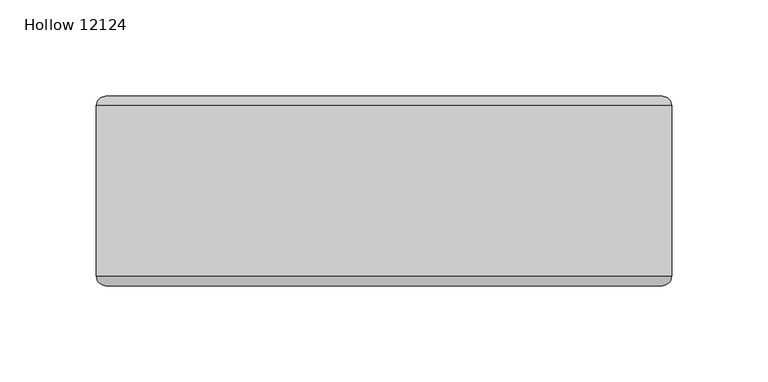
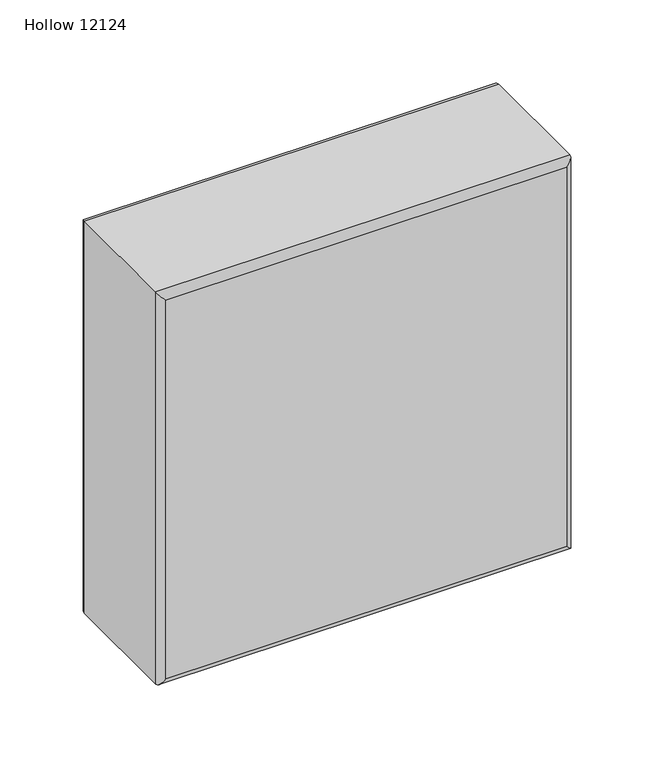
"""IFC4 building model written with IfcOpenShell, lengths in millimetres: plate geometry, Hollow 12124."""

from ifc_helpers import new_model, si_unit, frame, origin, place, context, project, spatial, ellipse_curve, source, transform, mapped, element, save
from ifc_brep_helpers import plane_surface, cylinder_surface, advanced_brep


def hollow_12124_37d00919(model_context):
    return source(origin(), model_context, "Body", "AdvancedBrep", [
        advanced_brep(
        [(-149.2582959, -44.2, 298.5), (149.2417041, -44.2, 298.5), (149.2417041, 44.2, 298.5), (-149.2582959, 44.2, 298.5), (149.2417041, -44.2, 0.0), (-149.2582959, -44.2, 0.0), (-149.2582959, 44.2, 0.0), (149.2417041, 44.2, 0.0), (-144.2582959, -49.2, 5.0), (144.2417041, -49.2, 5.0), (144.2417041, -49.2, 293.5), (-144.2582959, -49.2, 293.5), (144.2417041, 49.2, 5.0), (-144.2582959, 49.2, 5.0), (-144.2582959, 49.2, 293.5), (144.2417041, 49.2, 293.5)],
        [
            (0, 1),
            (1, 2),
            (2, 3),
            (3, 0),
            (4, 5),
            (5, 6),
            (6, 7),
            (7, 4),
            (8, 9),
            (9, 10),
            (10, 11),
            (11, 8),
            (1, 4),
            (7, 2),
            (12, 13),
            (13, 14),
            (14, 15),
            (15, 12),
            (5, 0),
            (3, 6),
            (4, 9, ellipse_curve(frame((144.2417041, -44.2, 5.0), z_axis=(-0.7071067811865475, 0.0, -0.7071067811865475), x_axis=(0.7071067811865476, 0.0, -0.7071067811865474)), 7.0710678, 5.0)),
            (8, 5, ellipse_curve(frame((-144.2582959, -44.2, 5.0), z_axis=(0.7071067811865475, 0.0, -0.7071067811865475), x_axis=(0.7071067811865476, 0.0, 0.7071067811865474)), 7.0710678, 5.0)),
            (1, 10, ellipse_curve(frame((144.2417041, -44.2, 293.5), z_axis=(0.7071067811865475, 0.0, -0.7071067811865475), x_axis=(0.7071067811865474, 0.0, 0.7071067811865476)), 7.0710678, 5.0)),
            (0, 11, ellipse_curve(frame((-144.2582959, -44.2, 293.5), z_axis=(0.7071067811865475, 0.0, 0.7071067811865475), x_axis=(-0.7071067811865476, 0.0, 0.7071067811865474)), 7.0710678, 5.0)),
            (12, 7, ellipse_curve(frame((144.2417041, 44.2, 5.0), z_axis=(-0.7071067811865475, 0.0, -0.7071067811865475), x_axis=(0.7071067811865476, 0.0, -0.7071067811865474)), 7.0710678, 5.0)),
            (6, 13, ellipse_curve(frame((-144.2582959, 44.2, 5.0), z_axis=(0.7071067811865475, 0.0, -0.7071067811865475), x_axis=(0.7071067811865476, 0.0, 0.7071067811865474)), 7.0710678, 5.0)),
            (15, 2, ellipse_curve(frame((144.2417041, 44.2, 293.5), z_axis=(0.7071067811865475, 0.0, -0.7071067811865475), x_axis=(0.7071067811865474, 0.0, 0.7071067811865476)), 7.0710678, 5.0)),
            (14, 3, ellipse_curve(frame((-144.2582959, 44.2, 293.5), z_axis=(0.7071067811865475, 0.0, 0.7071067811865475), x_axis=(-0.7071067811865476, 0.0, 0.7071067811865474)), 7.0710678, 5.0)),
        ],
        [
            plane_surface(frame((-149.2582959, -49.2, 298.5), z_axis=(0.0, 0.0, 1.0), x_axis=(1.0, 0.0, 0.0))),
            plane_surface(frame((-149.2582959, -49.2, 0.0), z_axis=(0.0, 0.0, -1.0), x_axis=(-1.0, 0.0, 0.0))),
            plane_surface(frame((-149.2582959, -49.2, 298.5), z_axis=(0.0, -1.0, 0.0), x_axis=(0.0, 0.0, -1.0))),
            plane_surface(frame((149.2417041, -49.2, 298.5), z_axis=(1.0, 0.0, 0.0), x_axis=(0.0, 0.0, -1.0))),
            plane_surface(frame((149.2417041, 49.2, 298.5), z_axis=(0.0, 1.0, 0.0), x_axis=(0.0, 0.0, -1.0))),
            plane_surface(frame((-149.2582959, 49.2, 298.5), z_axis=(-1.0, 0.0, 0.0), x_axis=(0.0, 0.0, -1.0))),
            cylinder_surface(frame((-149.2582959, -44.2, 5.0), z_axis=(1.0, 0.0, 0.0), x_axis=(0.0, 0.0, -1.0)), 5.0),
            cylinder_surface(frame((144.2417041, -44.2, 0.0), z_axis=(0.0, 0.0, 1.0), x_axis=(1.0, 0.0, 0.0)), 5.0),
            cylinder_surface(frame((149.2417041, -44.2, 293.5), z_axis=(-1.0, 0.0, 0.0), x_axis=(0.0, 0.0, 1.0)), 5.0),
            cylinder_surface(frame((-144.2582959, -44.2, 298.5), z_axis=(0.0, 0.0, -1.0), x_axis=(-1.0, 0.0, 0.0)), 5.0),
            cylinder_surface(frame((-149.2582959, 44.2, 5.0), z_axis=(1.0, 0.0, 0.0), x_axis=(0.0, 0.0, -1.0)), 5.0),
            cylinder_surface(frame((144.2417041, 44.2, 0.0), z_axis=(0.0, 0.0, 1.0), x_axis=(1.0, 0.0, 0.0)), 5.0),
            cylinder_surface(frame((149.2417041, 44.2, 293.5), z_axis=(-1.0, 0.0, 0.0), x_axis=(0.0, 0.0, 1.0)), 5.0),
            cylinder_surface(frame((-144.2582959, 44.2, 298.5), z_axis=(0.0, 0.0, -1.0), x_axis=(-1.0, 0.0, 0.0)), 5.0),
        ],
        [
            (0, [[1, 2, 3, 4]]),
            (1, [[5, 6, 7, 8]]),
            (2, [[9, 10, 11, 12]]),
            (3, [[13, -8, 14, -2]]),
            (4, [[15, 16, 17, 18]]),
            (5, [[19, -4, 20, -6]]),
            (6, [[21, -9, 22, -5]]),
            (7, [[-21, -13, 23, -10]]),
            (8, [[-23, -1, 24, -11]]),
            (9, [[-22, -12, -24, -19]]),
            (10, [[25, -7, 26, -15]]),
            (11, [[-25, -18, 27, -14]]),
            (12, [[-27, -17, 28, -3]]),
            (13, [[-26, -20, -28, -16]]),
        ],
    ),
    ])


if __name__ == "__main__":
    model = new_model("IFC4")
    model_context = context("Model", 3, world=origin())
    ifc_project = project(units=[si_unit("LENGTHUNIT", "METRE", prefix="MILLI")], contexts=[model_context])
    site = spatial("IfcSite", under=ifc_project)
    building = spatial("IfcBuilding", under=site)
    placement = place(None, origin())
    hollow_12124_shape = hollow_12124_37d00919(model_context)
    element("IfcPlate", 1, ObjectType="Hollow 12124", at=placement, inside=building, context=model_context, shape_type="MappedRepresentation", body=[
        mapped(hollow_12124_shape, transform((0.0, 0.0, 0.0), x_axis=(1.0, 0.0, 0.0), y_axis=(0.0, 1.0, 0.0), z_axis=(0.0, 0.0, 1.0))),
    ])
    save(model, "model.ifc")
